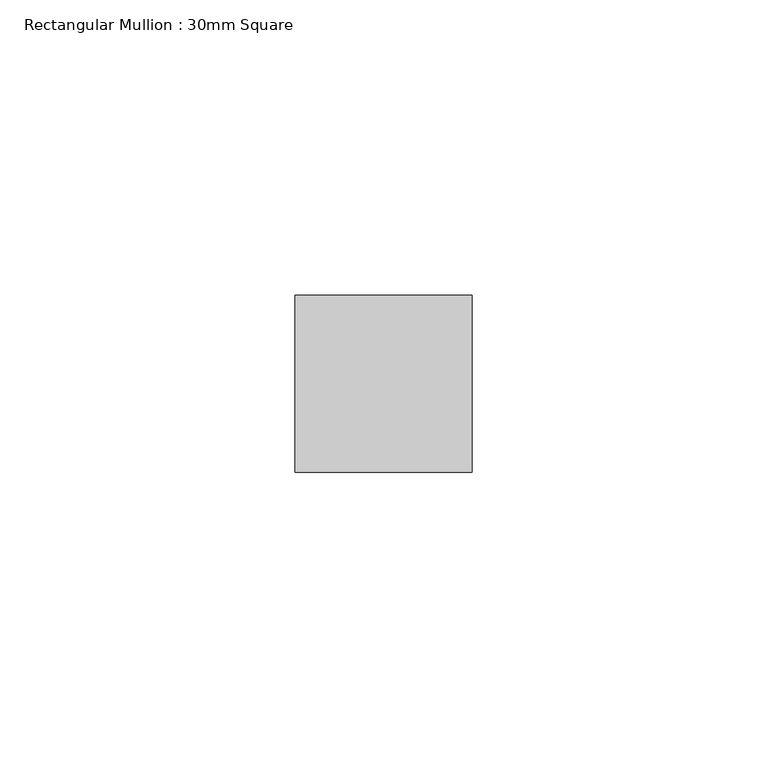
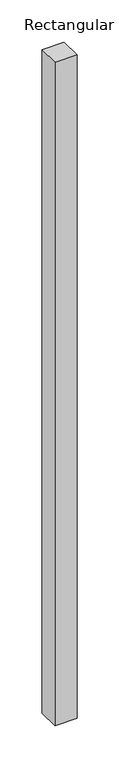
"""IFC4 building model written with IfcOpenShell, lengths in millimetres: member geometry, Rectangular Mullion : 30mm Square."""

from ifc_helpers import new_model, si_unit, frame, origin, place, context, project, spatial, polyline, outline, extrude, source, transform, mapped, element, save


def rectangular_mullion_30mm_square_eaa60ca4(model_context):
    return source(origin(), model_context, "Body", "SweptSolid", [
        extrude(outline(polyline([(0.0, 15.0), (0.0, -15.0), (-30.0, -15.0), (-30.0, 15.0), (0.0, 15.0)])), frame((0.0, 0.0, -955.6760535), z_axis=(0.0, 0.0, 1.0), x_axis=(1.0, 0.0, 0.0)), (0.0, 0.0, 1.0), 955.6760535),
    ])


if __name__ == "__main__":
    model = new_model("IFC4")
    model_context = context("Model", 3, world=origin())
    ifc_project = project(units=[si_unit("LENGTHUNIT", "METRE", prefix="MILLI")], contexts=[model_context])
    site = spatial("IfcSite", under=ifc_project)
    building = spatial("IfcBuilding", under=site)
    placement = place(None, origin())
    rectangular_mullion_30mm_square_shape = rectangular_mullion_30mm_square_eaa60ca4(model_context)
    element("IfcMember", 1, ObjectType="Rectangular Mullion : 30mm Square", at=placement, inside=building, context=model_context, shape_type="MappedRepresentation", body=[
        mapped(rectangular_mullion_30mm_square_shape, transform((0.0, 0.0, 0.0), x_axis=(1.0, 0.0, 0.0), y_axis=(0.0, 1.0, 0.0), z_axis=(0.0, 0.0, 1.0))),
    ])
    save(model, "model.ifc")
